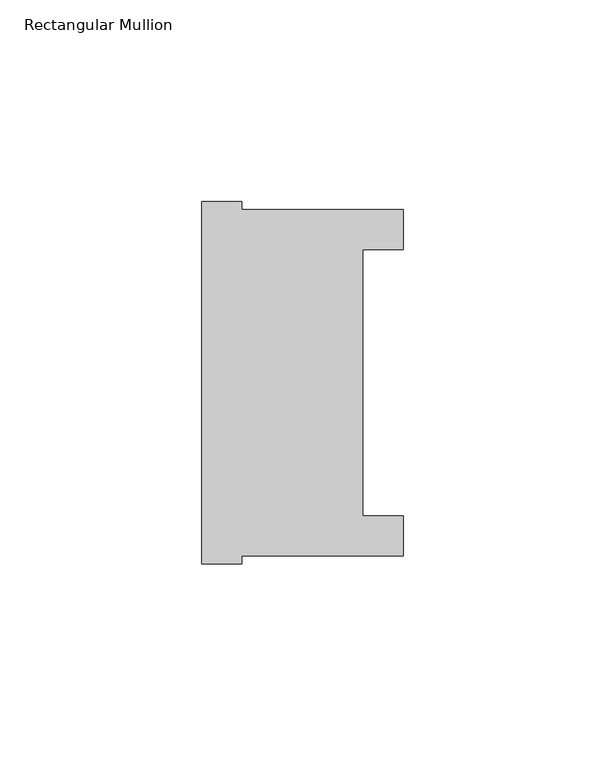
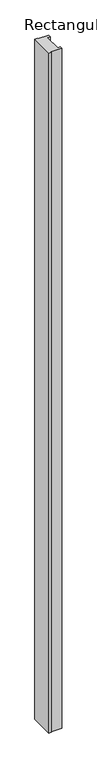
"""IFC4 building model written with IfcOpenShell, lengths in millimetres: member geometry, Rectangular Mullion."""

from ifc_helpers import new_model, si_unit, frame, origin, place, context, project, spatial, polyline, outline, extrude, source, transform, mapped, element, save


def rectangular_mullion_60822ff5(model_context):
    return source(origin(), model_context, "Body", "SweptSolid", [
        extrude(outline(polyline([(-50.0, -44.8550798), (-50.0, 45.1449202), (-40.0, 45.1449202), (-40.0, 43.1449202), (0.0, 43.1449202), (0.0, 33.1449202), (-10.0, 33.1449202), (-10.0, -32.8550798), (0.0, -32.8550798), (0.0, -42.8550798), (-40.0, -42.8550798), (-40.0, -44.8550798), (-50.0, -44.8550798)])), frame((0.0, 0.0, -2700.0), z_axis=(0.0, 0.0, 1.0), x_axis=(1.0, 0.0, 0.0)), (0.0, 0.0, 1.0), 2700.0),
    ])


if __name__ == "__main__":
    model = new_model("IFC4")
    model_context = context("Model", 3, world=origin())
    ifc_project = project(units=[si_unit("LENGTHUNIT", "METRE", prefix="MILLI")], contexts=[model_context])
    site = spatial("IfcSite", under=ifc_project)
    building = spatial("IfcBuilding", under=site)
    placement = place(None, origin())
    rectangular_mullion_shape = rectangular_mullion_60822ff5(model_context)
    element("IfcMember", 1, ObjectType="Rectangular Mullion", at=placement, inside=building, context=model_context, shape_type="MappedRepresentation", body=[
        mapped(rectangular_mullion_shape, transform((0.0, 0.0, 0.0), x_axis=(1.0, 0.0, 0.0), y_axis=(0.0, 1.0, 0.0), z_axis=(0.0, 0.0, 1.0))),
    ])
    save(model, "model.ifc")
